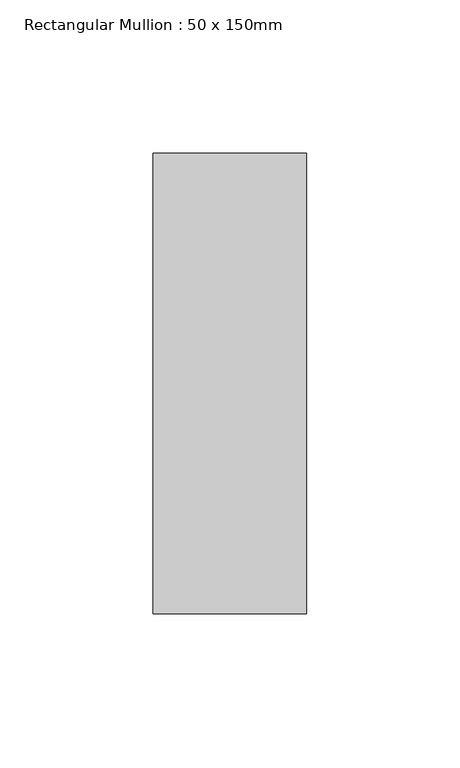
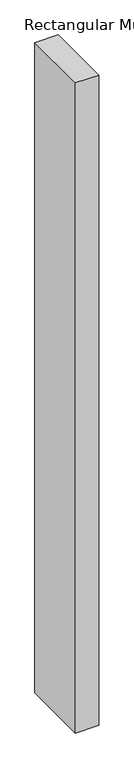
"""IFC4 building model written with IfcOpenShell, lengths in millimetres: member geometry, Rectangular Mullion : 50 x 150mm."""

from ifc_helpers import new_model, si_unit, frame, origin, place, context, project, spatial, polyline, outline, extrude, source, transform, mapped, element, save


def rectangular_mullion_50_x_150mm_ba197ef6(model_context):
    return source(origin(), model_context, "Body", "SweptSolid", [
        extrude(outline(polyline([(0.0, 75.0), (0.0, -75.0), (-50.0, -75.0), (-50.0, 75.0), (0.0, 75.0)])), frame((0.0, 0.0, -1470.0000002), z_axis=(0.0, 0.0, 1.0), x_axis=(1.0, 0.0, 0.0)), (0.0, 0.0, 1.0), 1470.0000002),
    ])


if __name__ == "__main__":
    model = new_model("IFC4")
    model_context = context("Model", 3, world=origin())
    ifc_project = project(units=[si_unit("LENGTHUNIT", "METRE", prefix="MILLI")], contexts=[model_context])
    site = spatial("IfcSite", under=ifc_project)
    building = spatial("IfcBuilding", under=site)
    placement = place(None, origin())
    rectangular_mullion_50_x_150mm_shape = rectangular_mullion_50_x_150mm_ba197ef6(model_context)
    element("IfcMember", 1, ObjectType="Rectangular Mullion : 50 x 150mm", at=placement, inside=building, context=model_context, shape_type="MappedRepresentation", body=[
        mapped(rectangular_mullion_50_x_150mm_shape, transform((0.0, 0.0, 0.0), x_axis=(1.0, 0.0, 0.0), y_axis=(0.0, 1.0, 0.0), z_axis=(0.0, 0.0, 1.0))),
    ])
    save(model, "model.ifc")
